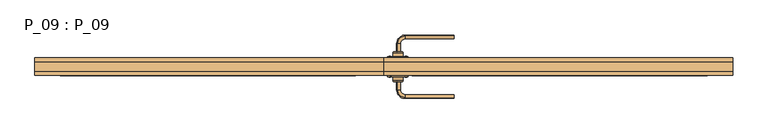
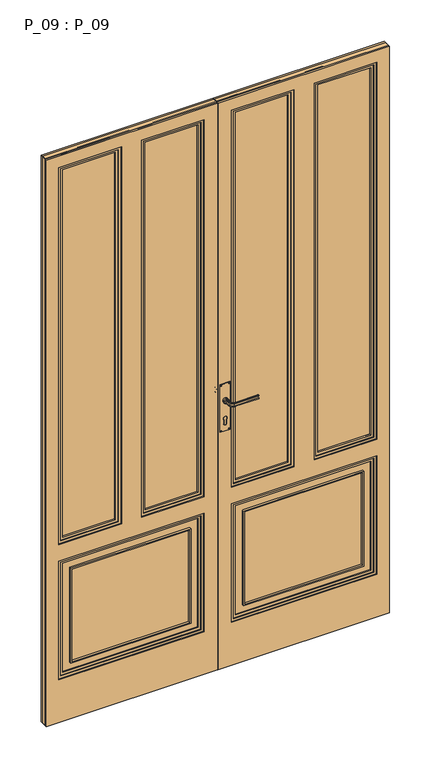
"""IFC4 building model written with IfcOpenShell, lengths in millimetres: door geometry, P_09 : P_09."""

from ifc_helpers import new_model, si_unit, point, frame, frame_2d, origin, place, context, project, spatial, polyline, circle_curve, ellipse_curve, trimmed, segment, composite_curve, outline, extrude, source, transform, mapped, element, save
from ifc_brep_helpers import plane_surface, cylinder_surface, revolved_surface, extruded_surface, advanced_brep


def p_09_p_09_91a30a69(model_context):
    return source(origin(), model_context, "Body", "SolidModel", [
        advanced_brep(
        [(26.4872275, -175.5, 1137.25687), (27.2798534, -175.5, 1134.910789), (27.2798534, -175.5, 1125.089211), (25.8868721, -175.5, 1123.0401367), (137.75, -143.7372275, 1137.25687), (137.75, -143.1368721, 1123.0401367), (137.75, -144.5298534, 1125.089211), (137.75, -144.5298534, 1134.910789), (25.8868721, -160.0, 1123.0401367), (26.4872275, -160.0, 1137.25687), (42.75, -143.7372275, 1137.25687), (42.75, -143.1368721, 1123.0401367), (27.2798534, -160.0, 1134.910789), (27.2798534, -160.0, 1125.089211), (42.75, -144.5298534, 1134.910789), (42.75, -144.5298534, 1125.089211)],
        [
            (0, 1, circle_curve(frame((26.7210635, -175.5, 1136.0289365), z_axis=(0.0, -1.0, 0.0), x_axis=(-1.0, 0.0, 0.0)), 1.25)),
            (1, 2, ellipse_curve(frame((27.75, -175.5, 1130.0), z_axis=(0.0, 1.0, 0.0), x_axis=(1.0, 0.0, 0.0)), 2.5, 5.0)),
            (2, 3, circle_curve(frame((26.7210635, -175.5, 1123.9710635), z_axis=(0.0, -1.0, 0.0), x_axis=(-1.0, 0.0, 0.0)), 1.25)),
            (3, 0, ellipse_curve(frame((27.75, -175.5, 1130.0), z_axis=(0.0, -1.0, 0.0), x_axis=(0.0, 0.0, -1.0)), 7.5, 5.0)),
            (4, 5, ellipse_curve(frame((137.75, -145.0, 1130.0), z_axis=(1.0, 0.0, 0.0), x_axis=(0.0, 0.0, -1.0)), 7.5, 5.0)),
            (5, 6, circle_curve(frame((137.75, -143.9710635, 1123.9710635), z_axis=(1.0, 0.0, 0.0), x_axis=(0.0, 1.0, 0.0)), 1.25)),
            (6, 7, ellipse_curve(frame((137.75, -145.0, 1130.0), z_axis=(-1.0, 0.0, 0.0), x_axis=(0.0, -1.0, 0.0)), 2.5, 5.0)),
            (7, 4, circle_curve(frame((137.75, -143.9710635, 1136.0289365), z_axis=(1.0, 0.0, 0.0), x_axis=(0.0, 1.0, 0.0)), 1.25)),
            (3, 8),
            (8, 9, ellipse_curve(frame((27.75, -160.0, 1130.0), z_axis=(0.0, -1.0, 0.0), x_axis=(0.0, 0.0, -1.0)), 7.5, 5.0)),
            (9, 0),
            (10, 11, ellipse_curve(frame((42.75, -145.0, 1130.0), z_axis=(1.0, 0.0, 0.0), x_axis=(0.0, 0.0, -1.0)), 7.5, 5.0)),
            (11, 5),
            (4, 10),
            (9, 12, circle_curve(frame((26.7210635, -160.0, 1136.0289365), z_axis=(0.0, -1.0, 0.0), x_axis=(-1.0, 0.0, 0.0)), 1.25)),
            (12, 1),
            (12, 13, ellipse_curve(frame((27.75, -160.0, 1130.0), z_axis=(0.0, 1.0, 0.0), x_axis=(0.0, 0.0, -1.0)), 5.0, 2.5)),
            (13, 2),
            (13, 8, circle_curve(frame((26.7210635, -160.0, 1123.9710635), z_axis=(0.0, -1.0, 0.0), x_axis=(-1.0, 0.0, 0.0)), 1.25)),
            (14, 10, circle_curve(frame((42.75, -143.9710635, 1136.0289365), z_axis=(1.0, 0.0, 0.0), x_axis=(0.0, 1.0, 0.0)), 1.25)),
            (7, 14),
            (15, 14, ellipse_curve(frame((42.75, -145.0, 1130.0), z_axis=(-1.0, 0.0, 0.0), x_axis=(0.0, 0.0, -1.0)), 5.0, 2.5)),
            (6, 15),
            (11, 15, circle_curve(frame((42.75, -143.9710635, 1123.9710635), z_axis=(1.0, 0.0, 0.0), x_axis=(0.0, 1.0, 0.0)), 1.25)),
            (14, 12, circle_curve(frame((42.75, -160.0, 1134.910789), z_axis=(0.0, 0.0, 1.0), x_axis=(-1.0, 0.0, 0.0)), 15.4701466)),
            (9, 10, circle_curve(frame((42.75, -160.0, 1137.25687), z_axis=(0.0, 0.0, -1.0), x_axis=(-1.0, 0.0, 0.0)), 16.2627725)),
            (15, 13, circle_curve(frame((42.75, -160.0, 1125.089211), z_axis=(0.0, 0.0, 1.0), x_axis=(-1.0, 0.0, 0.0)), 15.4701466)),
            (11, 8, circle_curve(frame((42.75, -160.0, 1123.0401367), z_axis=(0.0, 0.0, 1.0), x_axis=(-1.0, 0.0, 0.0)), 16.8631279)),
        ],
        [
            plane_surface(frame((27.75, -175.5, 0.0), z_axis=(0.0, -1.0, 0.0), x_axis=(0.0, 0.0, 1.0))),
            plane_surface(frame((137.75, -145.0, 0.0), z_axis=(1.0, 0.0, 0.0), x_axis=(0.0, 0.0, 1.0))),
            extruded_surface(trimmed(ellipse_curve(frame((27.75, -160.0, 1130.0), z_axis=(0.0, -1.0, 0.0), x_axis=(0.0, 0.0, -1.0)), 7.5, 5.0), [point((25.8868721, -160.0, 1123.0401367))], [point((26.4872275, -160.0, 1137.25687))], True, "CARTESIAN"), (0.0, -15.5, 0.0), 15.5),
            extruded_surface(trimmed(ellipse_curve(frame((137.75, -145.0, 1130.0), z_axis=(-1.0, 0.0, 0.0), x_axis=(0.0, 0.0, -1.0)), 7.5, 5.0), [point((137.75, -143.1368721, 1123.0401367))], [point((137.75, -143.7372275, 1137.25687))], True, "CARTESIAN"), (-95.0, 0.0, 0.0), 95.0),
            cylinder_surface(frame((26.7210635, -175.5, 1136.0289365), z_axis=(0.0, -1.0, 0.0), x_axis=(-1.0, 0.0, 0.0)), 1.25),
            extruded_surface(trimmed(ellipse_curve(frame((27.75, -160.0, 1130.0), z_axis=(0.0, 1.0, 0.0), x_axis=(1.0, 0.0, 0.0)), 2.5, 5.0), [point((27.2798534, -160.0, 1134.910789))], [point((27.2798534, -160.0, 1125.089211))], True, "CARTESIAN"), (0.0, -15.5, 0.0), 15.5),
            cylinder_surface(frame((26.7210635, -175.5, 1123.9710635), z_axis=(0.0, -1.0, 0.0), x_axis=(-1.0, 0.0, 0.0)), 1.25),
            cylinder_surface(frame((42.75, -143.9710635, 1136.0289365), z_axis=(-1.0, 0.0, 0.0), x_axis=(0.0, 1.0, 0.0)), 1.25),
            extruded_surface(trimmed(ellipse_curve(frame((137.75, -145.0, 1130.0), z_axis=(1.0, 0.0, 0.0), x_axis=(0.0, -1.0, 0.0)), 2.5, 5.0), [point((137.75, -144.5298534, 1134.910789))], [point((137.75, -144.5298534, 1125.089211))], True, "CARTESIAN"), (-95.0, 0.0, 0.0), 95.0),
            cylinder_surface(frame((42.75, -143.9710635, 1123.9710635), z_axis=(-1.0, 0.0, 0.0), x_axis=(0.0, 1.0, 0.0)), 1.25),
            revolved_surface(trimmed(ellipse_curve(frame((26.7210635, -160.0, 1136.0289365), z_axis=(0.0, -1.0, 0.0), x_axis=(-1.0, 0.0, 0.0)), 1.25, 1.25), [point((26.4872275, -160.0, 1137.25687))], [point((27.2798534, -160.0, 1134.910789))], True, "CARTESIAN"), (42.75, -160.0, 0.0), (0.0, 0.0, -1.0)),
            revolved_surface(trimmed(ellipse_curve(frame((27.75, -160.0, 1130.0), z_axis=(0.0, 1.0, 0.0), x_axis=(1.0, 0.0, 0.0)), 2.5, 5.0), [point((27.2798534, -160.0, 1134.910789))], [point((27.2798534, -160.0, 1125.089211))], True, "CARTESIAN"), (42.75, -160.0, 0.0), (0.0, 0.0, -1.0)),
            revolved_surface(trimmed(ellipse_curve(frame((26.7210635, -160.0, 1123.9710635), z_axis=(0.0, -1.0, 0.0), x_axis=(-1.0, 0.0, 0.0)), 1.25, 1.25), [point((27.2798534, -160.0, 1125.089211))], [point((25.8868721, -160.0, 1123.0401367))], True, "CARTESIAN"), (42.75, -160.0, 0.0), (0.0, 0.0, -1.0)),
            revolved_surface(trimmed(ellipse_curve(frame((27.75, -160.0, 1130.0), z_axis=(0.0, -1.0, 0.0), x_axis=(0.0, 0.0, -1.0)), 7.5, 5.0), [point((25.8868721, -160.0, 1123.0401367))], [point((26.4872275, -160.0, 1137.25687))], True, "CARTESIAN"), (42.75, -160.0, 0.0), (0.0, 0.0, -1.0)),
        ],
        [
            (0, [[1, 2, 3, 4]]),
            (1, [[5, 6, 7, 8]]),
            (2, [[-4, 9, 10, 11]]),
            (3, [[12, 13, -5, 14]]),
            (4, [[-1, -11, 15, 16]]),
            (5, [[-2, -16, 17, 18]]),
            (6, [[-3, -18, 19, -9]]),
            (7, [[20, -14, -8, 21]]),
            (8, [[22, -21, -7, 23]]),
            (9, [[24, -23, -6, -13]]),
            (10, [[25, -15, 26, -20]]),
            (11, [[27, -17, -25, -22]]),
            (12, [[28, -19, -27, -24]]),
            (13, [[-26, -10, -28, -12]]),
        ],
    ),
        advanced_brep(
        [(35.25, -175.5, 1130.0), (20.25, -175.5, 1130.0), (27.75, -175.5, 1130.0), (37.75, -178.0, 1130.0), (17.75, -178.0, 1130.0), (37.75, -185.0, 1130.0), (17.75, -185.0, 1130.0), (27.75, -185.0, 1130.0)],
        [
            (0, 1, circle_curve(frame((27.75, -175.5, 1130.0), z_axis=(0.0, 1.0, 0.0), x_axis=(-1.0, 0.0, 0.0)), 7.5)),
            (1, 2),
            (2, 0),
            (1, 0, circle_curve(frame((27.75, -175.5, 1130.0), z_axis=(0.0, 1.0, 0.0), x_axis=(-1.0, 0.0, 0.0)), 7.5)),
            (3, 4, circle_curve(frame((27.75, -178.0, 1130.0), z_axis=(0.0, 1.0, 0.0), x_axis=(-1.0, 0.0, 0.0)), 10.0)),
            (4, 1, circle_curve(frame((20.25, -178.0, 1130.0), z_axis=(0.0, 0.0, -1.0), x_axis=(1.0, 0.0, 0.0)), 2.5)),
            (0, 3, circle_curve(frame((35.25, -178.0, 1130.0), z_axis=(0.0, 0.0, -1.0), x_axis=(-1.0, 0.0, 0.0)), 2.5)),
            (4, 3, circle_curve(frame((27.75, -178.0, 1130.0), z_axis=(0.0, 1.0, 0.0), x_axis=(-1.0, 0.0, 0.0)), 10.0)),
            (5, 6, circle_curve(frame((27.75, -185.0, 1130.0), z_axis=(0.0, 1.0, 0.0), x_axis=(-1.0, 0.0, 0.0)), 10.0)),
            (6, 4),
            (3, 5),
            (6, 5, circle_curve(frame((27.75, -185.0, 1130.0), z_axis=(0.0, 1.0, 0.0), x_axis=(-1.0, 0.0, 0.0)), 10.0)),
            (7, 6),
            (5, 7),
        ],
        [
            plane_surface(frame((27.75, -175.5, 1130.0), z_axis=(0.0, 1.0, 0.0), x_axis=(-1.0, 0.0, 0.0))),
            revolved_surface(trimmed(ellipse_curve(frame((20.25, -178.0, 1130.0), z_axis=(0.0, 0.0, 1.0), x_axis=(1.0, 0.0, 0.0)), 2.5, 2.5), [point((20.25, -175.5, 1130.0))], [point((17.75, -178.0, 1130.0))], True, "CARTESIAN"), (27.75, -178.0, 1130.0), (0.0, -1.0, 0.0)),
            cylinder_surface(frame((27.75, -178.0, 1130.0), z_axis=(0.0, -1.0, 0.0), x_axis=(-1.0, 0.0, 0.0)), 10.0),
            plane_surface(frame((27.75, -185.0, 1130.0), z_axis=(0.0, -1.0, 0.0), x_axis=(-1.0, 0.0, 0.0))),
        ],
        [
            (0, [[1, 2, 3]]),
            (0, [[4, -3, -2]]),
            (1, [[5, 6, -1, 7]]),
            (1, [[8, -7, -4, -6]]),
            (2, [[9, 10, -5, 11]]),
            (2, [[12, -11, -8, -10]]),
            (3, [[13, -9, 14]]),
            (3, [[-14, -12, -13]]),
        ],
    ),
        advanced_brep(
        [(9.5115156, -185.0, 1004.0384844), (13.9884844, -185.0, 1004.0384844), (11.75, -185.0, 1004.0384844), (11.75, -184.0934411, 1004.0384844)],
        [
            (0, 1, circle_curve(frame((11.75, -185.0, 1004.0384844), z_axis=(0.0, -1.0, 0.0), x_axis=(1.0, 0.0, 0.0)), 2.2384844)),
            (1, 2),
            (2, 0),
            (1, 0, circle_curve(frame((11.75, -185.0, 1004.0384844), z_axis=(0.0, -1.0, 0.0), x_axis=(1.0, 0.0, 0.0)), 2.2384844)),
            (3, 1, circle_curve(frame((11.75, -187.3103648, 1004.0384844), z_axis=(0.0, 0.0, -1.0), x_axis=(0.0, 1.0, 0.0)), 3.2169236)),
            (0, 3, circle_curve(frame((11.75, -187.3103648, 1004.0384844), z_axis=(0.0, 0.0, -1.0), x_axis=(0.0, 1.0, 0.0)), 3.2169236)),
        ],
        [
            plane_surface(frame((11.75, -185.0, 1004.0384844), z_axis=(0.0, -1.0, 0.0), x_axis=(1.0, 0.0, 0.0))),
            revolved_surface(trimmed(ellipse_curve(frame((11.75, -187.3103648, 1004.0384844), z_axis=(0.0, 0.0, 1.0), x_axis=(0.0, 1.0, 0.0)), 3.2169236, 3.2169236), [point((13.9884844, -185.0, 1004.0384844))], [point((11.75, -184.0934411, 1004.0384844))], True, "CARTESIAN"), (11.75, -190.6130164, 1004.0384844), (0.0, 1.0, 0.0)),
        ],
        [
            (0, [[1, 2, 3]]),
            (0, [[4, -3, -2]]),
            (1, [[5, -1, 6]]),
            (1, [[-6, -4, -5]]),
        ],
    ),
        advanced_brep(
        [(43.75, -185.0, 1004.0384844), (41.5115156, -185.0, 1004.0384844), (45.9884844, -185.0, 1004.0384844), (43.75, -184.0934411, 1004.0384844)],
        [
            (0, 1),
            (1, 2, circle_curve(frame((43.75, -185.0, 1004.0384844), z_axis=(0.0, -1.0, 0.0), x_axis=(-1.0, 0.0, 0.0)), 2.2384844)),
            (2, 0),
            (2, 1, circle_curve(frame((43.75, -185.0, 1004.0384844), z_axis=(0.0, -1.0, 0.0), x_axis=(-1.0, 0.0, 0.0)), 2.2384844)),
            (1, 3, circle_curve(frame((43.75, -187.3103648, 1004.0384844), z_axis=(0.0, 0.0, -1.0), x_axis=(0.0, -1.0, 0.0)), 3.2169236)),
            (3, 2, circle_curve(frame((43.75, -187.3103648, 1004.0384844), z_axis=(0.0, 0.0, -1.0), x_axis=(0.0, -1.0, 0.0)), 3.2169236)),
        ],
        [
            plane_surface(frame((43.75, -185.0, 1004.0384844), z_axis=(0.0, -1.0, 0.0), x_axis=(-1.0, 0.0, 0.0))),
            revolved_surface(trimmed(ellipse_curve(frame((43.75, -187.3103648, 1004.0384844), z_axis=(0.0, 0.0, 1.0), x_axis=(0.0, -1.0, 0.0)), 3.2169236, 3.2169236), [point((43.75, -184.0934411, 1004.0384844))], [point((41.5115156, -185.0, 1004.0384844))], True, "CARTESIAN"), (43.75, -190.6130164, 1004.0384844), (0.0, -1.0, 0.0)),
        ],
        [
            (0, [[1, 2, 3]]),
            (0, [[-3, 4, -1]]),
            (1, [[-2, 5, 6]]),
            (1, [[-4, -6, -5]]),
        ],
    ),
        advanced_brep(
        [(9.5115156, -185.0, 1195.9615156), (13.9884844, -185.0, 1195.9615156), (11.75, -185.0, 1195.9615156), (11.75, -184.0934411, 1195.9615156)],
        [
            (0, 1, circle_curve(frame((11.75, -185.0, 1195.9615156), z_axis=(0.0, -1.0, 0.0), x_axis=(1.0, 0.0, 0.0)), 2.2384844)),
            (1, 2),
            (2, 0),
            (1, 0, circle_curve(frame((11.75, -185.0, 1195.9615156), z_axis=(0.0, -1.0, 0.0), x_axis=(1.0, 0.0, 0.0)), 2.2384844)),
            (3, 1, circle_curve(frame((11.75, -187.3103648, 1195.9615156), z_axis=(0.0, 0.0, -1.0), x_axis=(-1.0, 0.0, 0.0)), 3.2169236)),
            (0, 3, circle_curve(frame((11.75, -187.3103648, 1195.9615156), z_axis=(0.0, 0.0, -1.0), x_axis=(1.0, 0.0, 0.0)), 3.2169236)),
        ],
        [
            plane_surface(frame((11.75, -185.0, 1195.9615156), z_axis=(0.0, -1.0, 0.0), x_axis=(1.0, 0.0, 0.0))),
            revolved_surface(trimmed(ellipse_curve(frame((11.75, -187.3103648, 1195.9615156), z_axis=(0.0, 0.0, 1.0), x_axis=(-1.0, 0.0, 0.0)), 3.2169236, 3.2169236), [point((13.9884844, -185.0, 1195.9615156))], [point((11.75, -184.0934411, 1195.9615156))], True, "CARTESIAN"), (11.75, -190.6130164, 1195.9615156), (0.0, 1.0, 0.0)),
        ],
        [
            (0, [[1, 2, 3]]),
            (0, [[4, -3, -2]]),
            (1, [[5, -1, 6]]),
            (1, [[-6, -4, -5]]),
        ],
    ),
        advanced_brep(
        [(43.75, -185.0, 1195.9615156), (41.5115156, -185.0, 1195.9615156), (45.9884844, -185.0, 1195.9615156), (43.75, -184.0934411, 1195.9615156)],
        [
            (0, 1),
            (1, 2, circle_curve(frame((43.75, -185.0, 1195.9615156), z_axis=(0.0, -1.0, 0.0), x_axis=(-1.0, 0.0, 0.0)), 2.2384844)),
            (2, 0),
            (2, 1, circle_curve(frame((43.75, -185.0, 1195.9615156), z_axis=(0.0, -1.0, 0.0), x_axis=(-1.0, 0.0, 0.0)), 2.2384844)),
            (1, 3, circle_curve(frame((43.75, -187.3103648, 1195.9615156), z_axis=(0.0, 0.0, -1.0), x_axis=(1.0, 0.0, 0.0)), 3.2169236)),
            (3, 2, circle_curve(frame((43.75, -187.3103648, 1195.9615156), z_axis=(0.0, 0.0, -1.0), x_axis=(-1.0, 0.0, 0.0)), 3.2169236)),
        ],
        [
            plane_surface(frame((43.75, -185.0, 1195.9615156), z_axis=(0.0, -1.0, 0.0), x_axis=(-1.0, 0.0, 0.0))),
            revolved_surface(trimmed(ellipse_curve(frame((43.75, -187.3103648, 1195.9615156), z_axis=(0.0, 0.0, 1.0), x_axis=(1.0, 0.0, 0.0)), 3.2169236, 3.2169236), [point((43.75, -184.0934411, 1195.9615156))], [point((41.5115156, -185.0, 1195.9615156))], True, "CARTESIAN"), (43.75, -190.6130164, 1195.9615156), (0.0, -1.0, 0.0)),
        ],
        [
            (0, [[1, 2, 3]]),
            (0, [[-3, 4, -1]]),
            (1, [[-2, 5, 6]]),
            (1, [[-4, -6, -5]]),
        ],
    ),
        extrude(outline(composite_curve([segment(trimmed(circle_curve(frame_2d((1196.0, 43.75)), 2.0), [point((1196.0, 45.75))], [point((1196.0, 41.75))], False, "CARTESIAN"), True, "CONTINUOUS"), segment(trimmed(circle_curve(frame_2d((1196.0, 43.75)), 2.0), [point((1196.0, 41.75))], [point((1196.0, 45.75))], False, "CARTESIAN"), True, "CONTINUOUS")], self_intersect=False)), frame((0.0, -188.0, 0.0), z_axis=(0.0, 1.0, 0.0), x_axis=(0.0, 0.0, 1.0)), (0.0, 0.0, 1.0), 3.0),
        extrude(outline(composite_curve([segment(trimmed(circle_curve(frame_2d((1196.0, 11.75)), 2.0), [point((1196.0, 9.75))], [point((1196.0, 13.75))], False, "CARTESIAN"), True, "CONTINUOUS"), segment(trimmed(circle_curve(frame_2d((1196.0, 11.75)), 2.0), [point((1196.0, 13.75))], [point((1196.0, 9.75))], False, "CARTESIAN"), True, "CONTINUOUS")], self_intersect=False)), frame((0.0, -188.0, 0.0), z_axis=(0.0, 1.0, 0.0), x_axis=(0.0, 0.0, 1.0)), (0.0, 0.0, 1.0), 3.0),
        extrude(outline(composite_curve([segment(trimmed(circle_curve(frame_2d((1004.0, 43.75)), 2.0), [point((1004.0, 41.75))], [point((1004.0, 45.75))], False, "CARTESIAN"), True, "CONTINUOUS"), segment(trimmed(circle_curve(frame_2d((1004.0, 43.75)), 2.0), [point((1004.0, 45.75))], [point((1004.0, 41.75))], False, "CARTESIAN"), True, "CONTINUOUS")], self_intersect=False)), frame((0.0, -188.0, 0.0), z_axis=(0.0, 1.0, 0.0), x_axis=(0.0, 0.0, 1.0)), (0.0, 0.0, 1.0), 3.0),
        extrude(outline(composite_curve([segment(trimmed(circle_curve(frame_2d((1004.0, 11.75)), 2.0), [point((1004.0, 9.75))], [point((1004.0, 13.75))], False, "CARTESIAN"), True, "CONTINUOUS"), segment(trimmed(circle_curve(frame_2d((1004.0, 11.75)), 2.0), [point((1004.0, 13.75))], [point((1004.0, 9.75))], False, "CARTESIAN"), True, "CONTINUOUS")], self_intersect=False)), frame((0.0, -188.0, 0.0), z_axis=(0.0, 1.0, 0.0), x_axis=(0.0, 0.0, 1.0)), (0.0, 0.0, 1.0), 3.0),
        extrude(outline(composite_curve([segment(polyline([(1046.9098301, 22.75), (1030.0, 22.75)]), True, "CONTINUOUS"), segment(trimmed(circle_curve(frame_2d((1030.0, 27.75)), 5.0), [point((1030.0, 22.75))], [point((1030.0, 32.75))], False, "CARTESIAN"), True, "CONTINUOUS"), segment(polyline([(1030.0, 32.75), (1046.9098301, 32.75)]), True, "CONTINUOUS"), segment(trimmed(circle_curve(frame_2d((1052.5, 27.75)), 7.5), [point((1046.9098301, 32.75))], [point((1046.9098301, 22.75))], False, "CARTESIAN"), True, "CONTINUOUS")], self_intersect=False)), frame((0.0, -188.0, 0.0), z_axis=(0.0, 1.0, 0.0), x_axis=(0.0, 0.0, 1.0)), (0.0, 0.0, 1.0), 2.0),
        extrude(outline(polyline([(1200.0, 7.75), (1000.0, 7.75), (1000.0, 47.75), (1200.0, 47.75), (1200.0, 7.75)]), holes=[composite_curve([segment(polyline([(1046.9098301, 32.75), (1030.0, 32.75)]), True, "CONTINUOUS"), segment(trimmed(circle_curve(frame_2d((1030.0, 27.75)), 5.0), [point((1030.0, 32.75))], [point((1030.0, 22.75))], True, "CARTESIAN"), True, "CONTINUOUS"), segment(polyline([(1030.0, 22.75), (1046.9098301, 22.75)]), True, "CONTINUOUS"), segment(trimmed(circle_curve(frame_2d((1052.5, 27.75)), 7.5), [point((1046.9098301, 22.75))], [point((1046.9098301, 32.75))], True, "CARTESIAN"), True, "CONTINUOUS")], self_intersect=False), composite_curve([segment(trimmed(circle_curve(frame_2d((1004.0, 43.75)), 2.0), [point((1004.0, 45.75))], [point((1004.0, 41.75))], True, "CARTESIAN"), True, "CONTINUOUS"), segment(trimmed(circle_curve(frame_2d((1004.0, 43.75)), 2.0), [point((1004.0, 41.75))], [point((1004.0, 45.75))], True, "CARTESIAN"), True, "CONTINUOUS")], self_intersect=False), composite_curve([segment(trimmed(circle_curve(frame_2d((1004.0, 11.75)), 2.0), [point((1004.0, 13.75))], [point((1004.0, 9.75))], True, "CARTESIAN"), True, "CONTINUOUS"), segment(trimmed(circle_curve(frame_2d((1004.0, 11.75)), 2.0), [point((1004.0, 9.75))], [point((1004.0, 13.75))], True, "CARTESIAN"), True, "CONTINUOUS")], self_intersect=False), composite_curve([segment(trimmed(circle_curve(frame_2d((1196.0, 43.75)), 2.0), [point((1196.0, 45.75))], [point((1196.0, 41.75))], True, "CARTESIAN"), True, "CONTINUOUS"), segment(trimmed(circle_curve(frame_2d((1196.0, 43.75)), 2.0), [point((1196.0, 41.75))], [point((1196.0, 45.75))], True, "CARTESIAN"), True, "CONTINUOUS")], self_intersect=False), composite_curve([segment(trimmed(circle_curve(frame_2d((1196.0, 11.75)), 2.0), [point((1196.0, 13.75))], [point((1196.0, 9.75))], True, "CARTESIAN"), True, "CONTINUOUS"), segment(trimmed(circle_curve(frame_2d((1196.0, 11.75)), 2.0), [point((1196.0, 9.75))], [point((1196.0, 13.75))], True, "CARTESIAN"), True, "CONTINUOUS")], self_intersect=False)]), frame((0.0, -188.0, 0.0), z_axis=(0.0, 1.0, 0.0), x_axis=(0.0, 0.0, 1.0)), (0.0, 0.0, 1.0), 3.0),
        advanced_brep(
        [(26.4872275, -234.5, 1137.25687), (25.8868721, -234.5, 1123.0401367), (27.2798534, -234.5, 1125.089211), (27.2798534, -234.5, 1134.910789), (137.75, -266.2627725, 1137.25687), (137.75, -265.4701466, 1134.910789), (137.75, -265.4701466, 1125.089211), (137.75, -266.8631279, 1123.0401367), (26.4872275, -250.0, 1137.25687), (25.8868721, -250.0, 1123.0401367), (42.75, -266.2627725, 1137.25687), (42.75, -266.8631279, 1123.0401367), (27.2798534, -250.0, 1134.910789), (27.2798534, -250.0, 1125.089211), (42.75, -265.4701466, 1134.910789), (42.75, -265.4701466, 1125.089211)],
        [
            (0, 1, ellipse_curve(frame((27.75, -234.5, 1130.0), z_axis=(0.0, 1.0, 0.0), x_axis=(0.0, 0.0, -1.0)), 7.5, 5.0)),
            (1, 2, circle_curve(frame((26.7210635, -234.5, 1123.9710635), z_axis=(0.0, 1.0, 0.0), x_axis=(-1.0, 0.0, 0.0)), 1.25)),
            (2, 3, ellipse_curve(frame((27.75, -234.5, 1130.0), z_axis=(0.0, -1.0, 0.0), x_axis=(1.0, 0.0, 0.0)), 2.5, 5.0)),
            (3, 0, circle_curve(frame((26.7210635, -234.5, 1136.0289365), z_axis=(0.0, 1.0, 0.0), x_axis=(-1.0, 0.0, 0.0)), 1.25)),
            (4, 5, circle_curve(frame((137.75, -266.0289365, 1136.0289365), z_axis=(1.0, 0.0, 0.0), x_axis=(0.0, -1.0, 0.0)), 1.25)),
            (5, 6, ellipse_curve(frame((137.75, -265.0, 1130.0), z_axis=(-1.0, 0.0, 0.0), x_axis=(0.0, 1.0, 0.0)), 2.5, 5.0)),
            (6, 7, circle_curve(frame((137.75, -266.0289365, 1123.9710635), z_axis=(1.0, 0.0, 0.0), x_axis=(0.0, -1.0, 0.0)), 1.25)),
            (7, 4, ellipse_curve(frame((137.75, -265.0, 1130.0), z_axis=(1.0, 0.0, 0.0), x_axis=(0.0, 0.0, -1.0)), 7.5, 5.0)),
            (0, 8),
            (8, 9, ellipse_curve(frame((27.75, -250.0, 1130.0), z_axis=(0.0, 1.0, 0.0), x_axis=(0.0, 0.0, -1.0)), 7.5, 5.0)),
            (9, 1),
            (10, 4),
            (7, 11),
            (11, 10, ellipse_curve(frame((42.75, -265.0, 1130.0), z_axis=(1.0, 0.0, 0.0), x_axis=(0.0, 0.0, -1.0)), 7.5, 5.0)),
            (3, 12),
            (12, 8, circle_curve(frame((26.7210635, -250.0, 1136.0289365), z_axis=(0.0, 1.0, 0.0), x_axis=(-1.0, 0.0, 0.0)), 1.25)),
            (2, 13),
            (13, 12, ellipse_curve(frame((27.75, -250.0, 1130.0), z_axis=(0.0, -1.0, 0.0), x_axis=(0.0, 0.0, -1.0)), 5.0, 2.5)),
            (9, 13, circle_curve(frame((26.7210635, -250.0, 1123.9710635), z_axis=(0.0, 1.0, 0.0), x_axis=(-1.0, 0.0, 0.0)), 1.25)),
            (14, 5),
            (10, 14, circle_curve(frame((42.75, -266.0289365, 1136.0289365), z_axis=(1.0, 0.0, 0.0), x_axis=(0.0, -1.0, 0.0)), 1.25)),
            (15, 6),
            (14, 15, ellipse_curve(frame((42.75, -265.0, 1130.0), z_axis=(-1.0, 0.0, 0.0), x_axis=(0.0, 0.0, -1.0)), 5.0, 2.5)),
            (15, 11, circle_curve(frame((42.75, -266.0289365, 1123.9710635), z_axis=(1.0, 0.0, 0.0), x_axis=(0.0, -1.0, 0.0)), 1.25)),
            (10, 8, circle_curve(frame((42.75, -250.0, 1137.25687), z_axis=(0.0, 0.0, -1.0), x_axis=(-1.0, 0.0, 0.0)), 16.2627725)),
            (12, 14, circle_curve(frame((42.75, -250.0, 1134.910789), z_axis=(0.0, 0.0, 1.0), x_axis=(-1.0, 0.0, 0.0)), 15.4701466)),
            (13, 15, circle_curve(frame((42.75, -250.0, 1125.089211), z_axis=(0.0, 0.0, 1.0), x_axis=(-1.0, 0.0, 0.0)), 15.4701466)),
            (9, 11, circle_curve(frame((42.75, -250.0, 1123.0401367), z_axis=(0.0, 0.0, 1.0), x_axis=(-1.0, 0.0, 0.0)), 16.8631279)),
        ],
        [
            plane_surface(frame((27.75, -234.5, 0.0), z_axis=(0.0, 1.0, 0.0), x_axis=(0.0, 0.0, 1.0))),
            plane_surface(frame((137.75, -265.0, 0.0), z_axis=(1.0, 0.0, 0.0), x_axis=(0.0, 0.0, 1.0))),
            extruded_surface(trimmed(ellipse_curve(frame((27.75, -234.5, 1130.0), z_axis=(0.0, -1.0, 0.0), x_axis=(0.0, 0.0, -1.0)), 7.5, 5.0), [point((25.8868721, -234.5, 1123.0401367))], [point((26.4872275, -234.5, 1137.25687))], True, "CARTESIAN"), (0.0, -15.5, 0.0), 15.5),
            extruded_surface(trimmed(ellipse_curve(frame((42.75, -265.0, 1130.0), z_axis=(1.0, 0.0, 0.0), x_axis=(0.0, 0.0, -1.0)), 7.5, 5.0), [point((42.75, -266.8631279, 1123.0401367))], [point((42.75, -266.2627725, 1137.25687))], True, "CARTESIAN"), (95.0, 0.0, 0.0), 95.0),
            cylinder_surface(frame((26.7210635, -234.5, 1136.0289365), z_axis=(0.0, 1.0, 0.0), x_axis=(-1.0, 0.0, 0.0)), 1.25),
            extruded_surface(trimmed(ellipse_curve(frame((27.75, -234.5, 1130.0), z_axis=(0.0, 1.0, 0.0), x_axis=(1.0, 0.0, 0.0)), 2.5, 5.0), [point((27.2798534, -234.5, 1134.910789))], [point((27.2798534, -234.5, 1125.089211))], True, "CARTESIAN"), (0.0, -15.5, 0.0), 15.5),
            cylinder_surface(frame((26.7210635, -234.5, 1123.9710635), z_axis=(0.0, 1.0, 0.0), x_axis=(-1.0, 0.0, 0.0)), 1.25),
            cylinder_surface(frame((42.75, -266.0289365, 1136.0289365), z_axis=(-1.0, 0.0, 0.0), x_axis=(0.0, -1.0, 0.0)), 1.25),
            extruded_surface(trimmed(ellipse_curve(frame((42.75, -265.0, 1130.0), z_axis=(-1.0, 0.0, 0.0), x_axis=(0.0, 1.0, 0.0)), 2.5, 5.0), [point((42.75, -265.4701466, 1134.910789))], [point((42.75, -265.4701466, 1125.089211))], True, "CARTESIAN"), (95.0, 0.0, 0.0), 95.0),
            cylinder_surface(frame((42.75, -266.0289365, 1123.9710635), z_axis=(-1.0, 0.0, 0.0), x_axis=(0.0, -1.0, 0.0)), 1.25),
            revolved_surface(trimmed(ellipse_curve(frame((26.7210635, -250.0, 1136.0289365), z_axis=(0.0, -1.0, 0.0), x_axis=(-1.0, 0.0, 0.0)), 1.25, 1.25), [point((26.4872275, -250.0, 1137.25687))], [point((27.2798534, -250.0, 1134.910789))], True, "CARTESIAN"), (42.75, -250.0, 0.0), (0.0, 0.0, -1.0)),
            revolved_surface(trimmed(ellipse_curve(frame((27.75, -250.0, 1130.0), z_axis=(0.0, 1.0, 0.0), x_axis=(1.0, 0.0, 0.0)), 2.5, 5.0), [point((27.2798534, -250.0, 1134.910789))], [point((27.2798534, -250.0, 1125.089211))], True, "CARTESIAN"), (42.75, -250.0, 0.0), (0.0, 0.0, -1.0)),
            revolved_surface(trimmed(ellipse_curve(frame((26.7210635, -250.0, 1123.9710635), z_axis=(0.0, -1.0, 0.0), x_axis=(-1.0, 0.0, 0.0)), 1.25, 1.25), [point((27.2798534, -250.0, 1125.089211))], [point((25.8868721, -250.0, 1123.0401367))], True, "CARTESIAN"), (42.75, -250.0, 0.0), (0.0, 0.0, -1.0)),
            revolved_surface(trimmed(ellipse_curve(frame((27.75, -250.0, 1130.0), z_axis=(0.0, -1.0, 0.0), x_axis=(0.0, 0.0, -1.0)), 7.5, 5.0), [point((25.8868721, -250.0, 1123.0401367))], [point((26.4872275, -250.0, 1137.25687))], True, "CARTESIAN"), (42.75, -250.0, 0.0), (0.0, 0.0, -1.0)),
        ],
        [
            (0, [[1, 2, 3, 4]]),
            (1, [[5, 6, 7, 8]]),
            (2, [[9, 10, 11, -1]]),
            (3, [[12, -8, 13, 14]]),
            (4, [[15, 16, -9, -4]]),
            (5, [[17, 18, -15, -3]]),
            (6, [[-11, 19, -17, -2]]),
            (7, [[20, -5, -12, 21]]),
            (8, [[22, -6, -20, 23]]),
            (9, [[-13, -7, -22, 24]]),
            (10, [[-21, 25, -16, 26]]),
            (11, [[-23, -26, -18, 27]]),
            (12, [[-24, -27, -19, 28]]),
            (13, [[-14, -28, -10, -25]]),
        ],
    ),
        advanced_brep(
        [(35.25, -234.5, 1130.0), (27.75, -234.5, 1130.0), (20.25, -234.5, 1130.0), (37.75, -232.0, 1130.0), (17.75, -232.0, 1130.0), (37.75, -225.0, 1130.0), (17.75, -225.0, 1130.0), (27.75, -225.0, 1130.0)],
        [
            (0, 1),
            (1, 2),
            (2, 0, circle_curve(frame((27.75, -234.5, 1130.0), z_axis=(0.0, -1.0, 0.0), x_axis=(-1.0, 0.0, 0.0)), 7.5)),
            (0, 2, circle_curve(frame((27.75, -234.5, 1130.0), z_axis=(0.0, -1.0, 0.0), x_axis=(-1.0, 0.0, 0.0)), 7.5)),
            (3, 0, circle_curve(frame((35.25, -232.0, 1130.0), z_axis=(0.0, 0.0, -1.0), x_axis=(-1.0, 0.0, 0.0)), 2.5)),
            (2, 4, circle_curve(frame((20.25, -232.0, 1130.0), z_axis=(0.0, 0.0, -1.0), x_axis=(1.0, 0.0, 0.0)), 2.5)),
            (4, 3, circle_curve(frame((27.75, -232.0, 1130.0), z_axis=(0.0, -1.0, 0.0), x_axis=(-1.0, 0.0, 0.0)), 10.0)),
            (3, 4, circle_curve(frame((27.75, -232.0, 1130.0), z_axis=(0.0, -1.0, 0.0), x_axis=(-1.0, 0.0, 0.0)), 10.0)),
            (5, 3),
            (4, 6),
            (6, 5, circle_curve(frame((27.75, -225.0, 1130.0), z_axis=(0.0, -1.0, 0.0), x_axis=(-1.0, 0.0, 0.0)), 10.0)),
            (5, 6, circle_curve(frame((27.75, -225.0, 1130.0), z_axis=(0.0, -1.0, 0.0), x_axis=(-1.0, 0.0, 0.0)), 10.0)),
            (7, 5),
            (6, 7),
        ],
        [
            plane_surface(frame((27.75, -234.5, 1130.0), z_axis=(0.0, -1.0, 0.0), x_axis=(-1.0, 0.0, 0.0))),
            revolved_surface(trimmed(ellipse_curve(frame((20.25, -232.0, 1130.0), z_axis=(0.0, 0.0, -1.0), x_axis=(1.0, 0.0, 0.0)), 2.5, 2.5), [point((20.25, -234.5, 1130.0))], [point((17.75, -232.0, 1130.0))], True, "CARTESIAN"), (27.75, -232.0, 1130.0), (0.0, 1.0, 0.0)),
            cylinder_surface(frame((27.75, -232.0, 1130.0), z_axis=(0.0, 1.0, 0.0), x_axis=(-1.0, 0.0, 0.0)), 10.0),
            plane_surface(frame((27.75, -225.0, 1130.0), z_axis=(0.0, 1.0, 0.0), x_axis=(-1.0, 0.0, 0.0))),
        ],
        [
            (0, [[1, 2, 3]]),
            (0, [[-2, -1, 4]]),
            (1, [[5, -3, 6, 7]]),
            (1, [[-6, -4, -5, 8]]),
            (2, [[9, -7, 10, 11]]),
            (2, [[-10, -8, -9, 12]]),
            (3, [[13, -11, 14]]),
            (3, [[-14, -12, -13]]),
        ],
    ),
        advanced_brep(
        [(9.5115156, -225.0, 1004.0384844), (11.75, -225.0, 1004.0384844), (13.9884844, -225.0, 1004.0384844), (11.75, -225.9065589, 1004.0384844)],
        [
            (0, 1),
            (1, 2),
            (2, 0, circle_curve(frame((11.75, -225.0, 1004.0384844), z_axis=(0.0, 1.0, 0.0), x_axis=(1.0, 0.0, 0.0)), 2.2384844)),
            (0, 2, circle_curve(frame((11.75, -225.0, 1004.0384844), z_axis=(0.0, 1.0, 0.0), x_axis=(1.0, 0.0, 0.0)), 2.2384844)),
            (3, 0, circle_curve(frame((11.75, -222.6896352, 1004.0384844), z_axis=(0.0, 0.0, -1.0), x_axis=(0.0, -1.0, 0.0)), 3.2169236)),
            (2, 3, circle_curve(frame((11.75, -222.6896352, 1004.0384844), z_axis=(0.0, 0.0, -1.0), x_axis=(0.0, -1.0, 0.0)), 3.2169236)),
        ],
        [
            plane_surface(frame((11.75, -225.0, 1004.0384844), z_axis=(0.0, 1.0, 0.0), x_axis=(1.0, 0.0, 0.0))),
            revolved_surface(trimmed(ellipse_curve(frame((11.75, -222.6896352, 1004.0384844), z_axis=(0.0, 0.0, -1.0), x_axis=(0.0, -1.0, 0.0)), 3.2169236, 3.2169236), [point((13.9884844, -225.0, 1004.0384844))], [point((11.75, -225.9065589, 1004.0384844))], True, "CARTESIAN"), (11.75, -219.3869836, 1004.0384844), (0.0, -1.0, 0.0)),
        ],
        [
            (0, [[1, 2, 3]]),
            (0, [[-2, -1, 4]]),
            (1, [[5, -3, 6]]),
            (1, [[-6, -4, -5]]),
        ],
    ),
        advanced_brep(
        [(43.75, -225.0, 1004.0384844), (45.9884844, -225.0, 1004.0384844), (41.5115156, -225.0, 1004.0384844), (43.75, -225.9065589, 1004.0384844)],
        [
            (0, 1),
            (1, 2, circle_curve(frame((43.75, -225.0, 1004.0384844), z_axis=(0.0, 1.0, 0.0), x_axis=(-1.0, 0.0, 0.0)), 2.2384844)),
            (2, 0),
            (2, 1, circle_curve(frame((43.75, -225.0, 1004.0384844), z_axis=(0.0, 1.0, 0.0), x_axis=(-1.0, 0.0, 0.0)), 2.2384844)),
            (1, 3, circle_curve(frame((43.75, -222.6896352, 1004.0384844), z_axis=(0.0, 0.0, -1.0), x_axis=(0.0, 1.0, 0.0)), 3.2169236)),
            (3, 2, circle_curve(frame((43.75, -222.6896352, 1004.0384844), z_axis=(0.0, 0.0, -1.0), x_axis=(0.0, 1.0, 0.0)), 3.2169236)),
        ],
        [
            plane_surface(frame((43.75, -225.0, 1004.0384844), z_axis=(0.0, 1.0, 0.0), x_axis=(-1.0, 0.0, 0.0))),
            revolved_surface(trimmed(ellipse_curve(frame((43.75, -222.6896352, 1004.0384844), z_axis=(0.0, 0.0, -1.0), x_axis=(0.0, 1.0, 0.0)), 3.2169236, 3.2169236), [point((43.75, -225.9065589, 1004.0384844))], [point((41.5115156, -225.0, 1004.0384844))], True, "CARTESIAN"), (43.75, -219.3869836, 1004.0384844), (0.0, 1.0, 0.0)),
        ],
        [
            (0, [[1, 2, 3]]),
            (0, [[-3, 4, -1]]),
            (1, [[5, 6, -2]]),
            (1, [[-6, -5, -4]]),
        ],
    ),
        advanced_brep(
        [(9.5115156, -225.0, 1195.9615156), (11.75, -225.0, 1195.9615156), (13.9884844, -225.0, 1195.9615156), (11.75, -225.9065589, 1195.9615156)],
        [
            (0, 1),
            (1, 2),
            (2, 0, circle_curve(frame((11.75, -225.0, 1195.9615156), z_axis=(0.0, 1.0, 0.0), x_axis=(1.0, 0.0, 0.0)), 2.2384844)),
            (0, 2, circle_curve(frame((11.75, -225.0, 1195.9615156), z_axis=(0.0, 1.0, 0.0), x_axis=(1.0, 0.0, 0.0)), 2.2384844)),
            (3, 0, circle_curve(frame((11.75, -222.6896352, 1195.9615156), z_axis=(0.0, 0.0, -1.0), x_axis=(1.0, 0.0, 0.0)), 3.2169236)),
            (2, 3, circle_curve(frame((11.75, -222.6896352, 1195.9615156), z_axis=(0.0, 0.0, -1.0), x_axis=(-1.0, 0.0, 0.0)), 3.2169236)),
        ],
        [
            plane_surface(frame((11.75, -225.0, 1195.9615156), z_axis=(0.0, 1.0, 0.0), x_axis=(1.0, 0.0, 0.0))),
            revolved_surface(trimmed(ellipse_curve(frame((11.75, -222.6896352, 1195.9615156), z_axis=(0.0, 0.0, -1.0), x_axis=(-1.0, 0.0, 0.0)), 3.2169236, 3.2169236), [point((13.9884844, -225.0, 1195.9615156))], [point((11.75, -225.9065589, 1195.9615156))], True, "CARTESIAN"), (11.75, -219.3869836, 1195.9615156), (0.0, -1.0, 0.0)),
        ],
        [
            (0, [[1, 2, 3]]),
            (0, [[-2, -1, 4]]),
            (1, [[5, -3, 6]]),
            (1, [[-6, -4, -5]]),
        ],
    ),
        advanced_brep(
        [(43.75, -225.0, 1195.9615156), (45.9884844, -225.0, 1195.9615156), (41.5115156, -225.0, 1195.9615156), (43.75, -225.9065589, 1195.9615156)],
        [
            (0, 1),
            (1, 2, circle_curve(frame((43.75, -225.0, 1195.9615156), z_axis=(0.0, 1.0, 0.0), x_axis=(-1.0, 0.0, 0.0)), 2.2384844)),
            (2, 0),
            (2, 1, circle_curve(frame((43.75, -225.0, 1195.9615156), z_axis=(0.0, 1.0, 0.0), x_axis=(-1.0, 0.0, 0.0)), 2.2384844)),
            (1, 3, circle_curve(frame((43.75, -222.6896352, 1195.9615156), z_axis=(0.0, 0.0, -1.0), x_axis=(-1.0, 0.0, 0.0)), 3.2169236)),
            (3, 2, circle_curve(frame((43.75, -222.6896352, 1195.9615156), z_axis=(0.0, 0.0, -1.0), x_axis=(1.0, 0.0, 0.0)), 3.2169236)),
        ],
        [
            plane_surface(frame((43.75, -225.0, 1195.9615156), z_axis=(0.0, 1.0, 0.0), x_axis=(-1.0, 0.0, 0.0))),
            revolved_surface(trimmed(ellipse_curve(frame((43.75, -222.6896352, 1195.9615156), z_axis=(0.0, 0.0, -1.0), x_axis=(1.0, 0.0, 0.0)), 3.2169236, 3.2169236), [point((43.75, -225.9065589, 1195.9615156))], [point((41.5115156, -225.0, 1195.9615156))], True, "CARTESIAN"), (43.75, -219.3869836, 1195.9615156), (0.0, 1.0, 0.0)),
        ],
        [
            (0, [[1, 2, 3]]),
            (0, [[-3, 4, -1]]),
            (1, [[5, 6, -2]]),
            (1, [[-6, -5, -4]]),
        ],
    ),
        extrude(outline(composite_curve([segment(trimmed(circle_curve(frame_2d((1196.0, 43.75)), 2.0), [point((1196.0, 45.75))], [point((1196.0, 41.75))], False, "CARTESIAN"), True, "CONTINUOUS"), segment(trimmed(circle_curve(frame_2d((1196.0, 43.75)), 2.0), [point((1196.0, 41.75))], [point((1196.0, 45.75))], False, "CARTESIAN"), True, "CONTINUOUS")], self_intersect=False)), frame((0.0, -225.0, 0.0), z_axis=(0.0, 1.0, 0.0), x_axis=(0.0, 0.0, 1.0)), (0.0, 0.0, 1.0), 3.0),
        extrude(outline(composite_curve([segment(trimmed(circle_curve(frame_2d((1196.0, 11.75)), 2.0), [point((1196.0, 9.75))], [point((1196.0, 13.75))], False, "CARTESIAN"), True, "CONTINUOUS"), segment(trimmed(circle_curve(frame_2d((1196.0, 11.75)), 2.0), [point((1196.0, 13.75))], [point((1196.0, 9.75))], False, "CARTESIAN"), True, "CONTINUOUS")], self_intersect=False)), frame((0.0, -225.0, 0.0), z_axis=(0.0, 1.0, 0.0), x_axis=(0.0, 0.0, 1.0)), (0.0, 0.0, 1.0), 3.0),
        extrude(outline(composite_curve([segment(trimmed(circle_curve(frame_2d((1004.0, 43.75)), 2.0), [point((1004.0, 41.75))], [point((1004.0, 45.75))], False, "CARTESIAN"), True, "CONTINUOUS"), segment(trimmed(circle_curve(frame_2d((1004.0, 43.75)), 2.0), [point((1004.0, 45.75))], [point((1004.0, 41.75))], False, "CARTESIAN"), True, "CONTINUOUS")], self_intersect=False)), frame((0.0, -225.0, 0.0), z_axis=(0.0, 1.0, 0.0), x_axis=(0.0, 0.0, 1.0)), (0.0, 0.0, 1.0), 3.0),
        extrude(outline(composite_curve([segment(trimmed(circle_curve(frame_2d((1004.0, 11.75)), 2.0), [point((1004.0, 9.75))], [point((1004.0, 13.75))], False, "CARTESIAN"), True, "CONTINUOUS"), segment(trimmed(circle_curve(frame_2d((1004.0, 11.75)), 2.0), [point((1004.0, 13.75))], [point((1004.0, 9.75))], False, "CARTESIAN"), True, "CONTINUOUS")], self_intersect=False)), frame((0.0, -225.0, 0.0), z_axis=(0.0, 1.0, 0.0), x_axis=(0.0, 0.0, 1.0)), (0.0, 0.0, 1.0), 3.0),
        extrude(outline(composite_curve([segment(polyline([(1046.9098301, 22.75), (1030.0, 22.75)]), True, "CONTINUOUS"), segment(trimmed(circle_curve(frame_2d((1030.0, 27.75)), 5.0), [point((1030.0, 22.75))], [point((1030.0, 32.75))], False, "CARTESIAN"), True, "CONTINUOUS"), segment(polyline([(1030.0, 32.75), (1046.9098301, 32.75)]), True, "CONTINUOUS"), segment(trimmed(circle_curve(frame_2d((1052.5, 27.75)), 7.5), [point((1046.9098301, 32.75))], [point((1046.9098301, 22.75))], False, "CARTESIAN"), True, "CONTINUOUS")], self_intersect=False)), frame((0.0, -224.0, 0.0), z_axis=(0.0, 1.0, 0.0), x_axis=(0.0, 0.0, 1.0)), (0.0, 0.0, 1.0), 2.0),
        extrude(outline(polyline([(1200.0, 7.75), (1000.0, 7.75), (1000.0, 47.75), (1200.0, 47.75), (1200.0, 7.75)]), holes=[composite_curve([segment(polyline([(1046.9098301, 32.75), (1030.0, 32.75)]), True, "CONTINUOUS"), segment(trimmed(circle_curve(frame_2d((1030.0, 27.75)), 5.0), [point((1030.0, 32.75))], [point((1030.0, 22.75))], True, "CARTESIAN"), True, "CONTINUOUS"), segment(polyline([(1030.0, 22.75), (1046.9098301, 22.75)]), True, "CONTINUOUS"), segment(trimmed(circle_curve(frame_2d((1052.5, 27.75)), 7.5), [point((1046.9098301, 22.75))], [point((1046.9098301, 32.75))], True, "CARTESIAN"), True, "CONTINUOUS")], self_intersect=False), composite_curve([segment(trimmed(circle_curve(frame_2d((1004.0, 43.75)), 2.0), [point((1004.0, 45.75))], [point((1004.0, 41.75))], True, "CARTESIAN"), True, "CONTINUOUS"), segment(trimmed(circle_curve(frame_2d((1004.0, 43.75)), 2.0), [point((1004.0, 41.75))], [point((1004.0, 45.75))], True, "CARTESIAN"), True, "CONTINUOUS")], self_intersect=False), composite_curve([segment(trimmed(circle_curve(frame_2d((1004.0, 11.75)), 2.0), [point((1004.0, 13.75))], [point((1004.0, 9.75))], True, "CARTESIAN"), True, "CONTINUOUS"), segment(trimmed(circle_curve(frame_2d((1004.0, 11.75)), 2.0), [point((1004.0, 9.75))], [point((1004.0, 13.75))], True, "CARTESIAN"), True, "CONTINUOUS")], self_intersect=False), composite_curve([segment(trimmed(circle_curve(frame_2d((1196.0, 43.75)), 2.0), [point((1196.0, 45.75))], [point((1196.0, 41.75))], True, "CARTESIAN"), True, "CONTINUOUS"), segment(trimmed(circle_curve(frame_2d((1196.0, 43.75)), 2.0), [point((1196.0, 41.75))], [point((1196.0, 45.75))], True, "CARTESIAN"), True, "CONTINUOUS")], self_intersect=False), composite_curve([segment(trimmed(circle_curve(frame_2d((1196.0, 11.75)), 2.0), [point((1196.0, 13.75))], [point((1196.0, 9.75))], True, "CARTESIAN"), True, "CONTINUOUS"), segment(trimmed(circle_curve(frame_2d((1196.0, 11.75)), 2.0), [point((1196.0, 9.75))], [point((1196.0, 13.75))], True, "CARTESIAN"), True, "CONTINUOUS")], self_intersect=False)]), frame((0.0, -225.0, 0.0), z_axis=(0.0, 1.0, 0.0), x_axis=(0.0, 0.0, 1.0)), (0.0, 0.0, 1.0), 3.0),
        extrude(outline(polyline([(615.0, -203.0), (615.0, -207.0), (405.0, -207.0), (405.0, -203.0), (615.0, -203.0)])), frame((0.0, 0.0, 770.0), z_axis=(0.0, 0.0, 1.0), x_axis=(1.0, 0.0, 0.0)), (0.0, 0.0, 1.0), 1550.0),
        extrude(outline(polyline([(285.0, -203.0), (285.0, -207.0), (75.0, -207.0), (75.0, -203.0), (285.0, -203.0)])), frame((0.0, 0.0, 770.0), z_axis=(0.0, 0.0, 1.0), x_axis=(1.0, 0.0, 0.0)), (0.0, 0.0, 1.0), 1550.0),
        extrude(outline(polyline([(2390.0, 0.5), (0.0, 0.5), (0.0, 685.0), (2390.0, 685.0), (2390.0, 0.5)]), holes=[polyline([(660.0, 75.0), (660.0, 615.0), (200.0, 615.0), (200.0, 75.0), (660.0, 75.0)]), polyline([(2320.0, 405.0), (2320.0, 615.0), (770.0, 615.0), (770.0, 405.0), (2320.0, 405.0)]), polyline([(2320.0, 75.0), (2320.0, 285.0), (770.0, 285.0), (770.0, 75.0), (2320.0, 75.0)])]), frame((0.0, -214.0, 0.0), z_axis=(0.0, 1.0, 0.0), x_axis=(0.0, 0.0, 1.0)), (0.0, 0.0, 1.0), 18.0),
        extrude(outline(polyline([(2390.0, 0.5), (0.0, 0.5), (0.0, 685.0), (2390.0, 685.0), (2390.0, 0.5)]), holes=[polyline([(680.0, 55.0), (680.0, 635.0), (180.0, 635.0), (180.0, 55.0), (680.0, 55.0)]), polyline([(2340.0, 385.0), (2340.0, 635.0), (750.0, 635.0), (750.0, 385.0), (2340.0, 385.0)]), polyline([(2340.0, 55.0), (2340.0, 305.0), (750.0, 305.0), (750.0, 55.0), (2340.0, 55.0)])]), frame((0.0, -222.0, 0.0), z_axis=(0.0, 1.0, 0.0), x_axis=(0.0, 0.0, 1.0)), (0.0, 0.0, 1.0), 34.0),
        extrude(outline(polyline([(2390.0, 0.5), (0.0, 0.5), (0.0, 685.0), (2390.0, 685.0), (2390.0, 0.5)]), holes=[polyline([(670.0, 65.0), (670.0, 625.0), (190.0, 625.0), (190.0, 65.0), (670.0, 65.0)]), polyline([(2330.0, 395.0), (2330.0, 625.0), (760.0, 625.0), (760.0, 395.0), (2330.0, 395.0)]), polyline([(2330.0, 65.0), (2330.0, 295.0), (760.0, 295.0), (760.0, 65.0), (2330.0, 65.0)])]), frame((0.0, -218.0, 0.0), z_axis=(0.0, 1.0, 0.0), x_axis=(0.0, 0.0, 1.0)), (0.0, 0.0, 1.0), 26.0),
        extrude(outline(polyline([(630.0, 105.0), (230.0, 105.0), (230.0, 585.0), (630.0, 585.0), (630.0, 105.0)]), holes=[polyline([(625.0, 110.0), (625.0, 580.0), (235.0, 580.0), (235.0, 110.0), (625.0, 110.0)])]), frame((0.0, -218.0, 0.0), z_axis=(0.0, 1.0, 0.0), x_axis=(0.0, 0.0, 1.0)), (0.0, 0.0, 1.0), 26.0),
        extrude(outline(polyline([(2390.0, 0.5), (0.0, 0.5), (0.0, 685.0), (2390.0, 685.0), (2390.0, 0.5)]), holes=[polyline([(2320.0, 285.0), (770.0, 285.0), (770.0, 75.0), (2320.0, 75.0), (2320.0, 285.0)]), polyline([(2320.0, 405.0), (2320.0, 615.0), (770.0, 615.0), (770.0, 405.0), (2320.0, 405.0)])]), frame((0.0, -210.0, 0.0), z_axis=(0.0, 1.0, 0.0), x_axis=(0.0, 0.0, 1.0)), (0.0, 0.0, 1.0), 10.0),
        extrude(outline(polyline([(-405.0, -203.0), (-405.0, -207.0), (-615.0, -207.0), (-615.0, -203.0), (-405.0, -203.0)])), frame((0.0, 0.0, 770.0), z_axis=(0.0, 0.0, 1.0), x_axis=(1.0, 0.0, 0.0)), (0.0, 0.0, 1.0), 1550.0),
        extrude(outline(polyline([(-75.0, -203.0), (-75.0, -207.0), (-285.0, -207.0), (-285.0, -203.0), (-75.0, -203.0)])), frame((0.0, 0.0, 770.0), z_axis=(0.0, 0.0, 1.0), x_axis=(1.0, 0.0, 0.0)), (0.0, 0.0, 1.0), 1550.0),
        extrude(outline(polyline([(2390.0, -0.5), (2390.0, -685.0), (0.0, -685.0), (0.0, -0.5), (2390.0, -0.5)]), holes=[polyline([(2320.0, -405.0), (770.0, -405.0), (770.0, -615.0), (2320.0, -615.0), (2320.0, -405.0)]), polyline([(2320.0, -75.0), (770.0, -75.0), (770.0, -285.0), (2320.0, -285.0), (2320.0, -75.0)]), polyline([(660.0, -75.0), (200.0, -75.0), (200.0, -615.0), (660.0, -615.0), (660.0, -75.0)])]), frame((0.0, -214.0, 0.0), z_axis=(0.0, 1.0, 0.0), x_axis=(0.0, 0.0, 1.0)), (0.0, 0.0, 1.0), 18.0),
        extrude(outline(polyline([(2390.0, -0.5), (2390.0, -685.0), (0.0, -685.0), (0.0, -0.5), (2390.0, -0.5)]), holes=[polyline([(2340.0, -385.0), (750.0, -385.0), (750.0, -635.0), (2340.0, -635.0), (2340.0, -385.0)]), polyline([(2340.0, -55.0), (750.0, -55.0), (750.0, -305.0), (2340.0, -305.0), (2340.0, -55.0)]), polyline([(680.0, -55.0), (180.0, -55.0), (180.0, -635.0), (680.0, -635.0), (680.0, -55.0)])]), frame((0.0, -222.0, 0.0), z_axis=(0.0, 1.0, 0.0), x_axis=(0.0, 0.0, 1.0)), (0.0, 0.0, 1.0), 34.0),
        extrude(outline(polyline([(630.0, -105.0), (630.0, -585.0), (230.0, -585.0), (230.0, -105.0), (630.0, -105.0)]), holes=[polyline([(625.0, -110.0), (235.0, -110.0), (235.0, -580.0), (625.0, -580.0), (625.0, -110.0)])]), frame((0.0, -218.0, 0.0), z_axis=(0.0, 1.0, 0.0), x_axis=(0.0, 0.0, 1.0)), (0.0, 0.0, 1.0), 26.0),
        extrude(outline(polyline([(2390.0, -0.5), (2390.0, -685.0), (0.0, -685.0), (0.0, -0.5), (2390.0, -0.5)]), holes=[polyline([(2330.0, -395.0), (760.0, -395.0), (760.0, -625.0), (2330.0, -625.0), (2330.0, -395.0)]), polyline([(2330.0, -65.0), (760.0, -65.0), (760.0, -295.0), (2330.0, -295.0), (2330.0, -65.0)]), polyline([(670.0, -65.0), (190.0, -65.0), (190.0, -625.0), (670.0, -625.0), (670.0, -65.0)])]), frame((0.0, -218.0, 0.0), z_axis=(0.0, 1.0, 0.0), x_axis=(0.0, 0.0, 1.0)), (0.0, 0.0, 1.0), 26.0),
        extrude(outline(polyline([(2390.0, -0.5), (2390.0, -685.0), (0.0, -685.0), (0.0, -0.5), (2390.0, -0.5)]), holes=[polyline([(2320.0, -405.0), (770.0, -405.0), (770.0, -615.0), (2320.0, -615.0), (2320.0, -405.0)]), polyline([(2320.0, -285.0), (2320.0, -75.0), (770.0, -75.0), (770.0, -285.0), (2320.0, -285.0)])]), frame((0.0, -210.0, 0.0), z_axis=(0.0, 1.0, 0.0), x_axis=(0.0, 0.0, 1.0)), (0.0, 0.0, 1.0), 10.0),
    ])


if __name__ == "__main__":
    model = new_model("IFC4")
    model_context = context("Model", 3, world=origin())
    ifc_project = project(units=[si_unit("LENGTHUNIT", "METRE", prefix="MILLI")], contexts=[model_context])
    site = spatial("IfcSite", under=ifc_project)
    building = spatial("IfcBuilding", under=site)
    placement = place(None, origin())
    p_09_p_09_shape = p_09_p_09_91a30a69(model_context)
    element("IfcDoor", 1, ObjectType="P_09 : P_09", at=placement, inside=building, context=model_context, shape_type="MappedRepresentation", body=[
        mapped(p_09_p_09_shape, transform((0.0, 0.0, 0.0), x_axis=(1.0, 0.0, 0.0), y_axis=(0.0, 1.0, 0.0), z_axis=(0.0, 0.0, 1.0))),
    ])
    save(model, "model.ifc")
